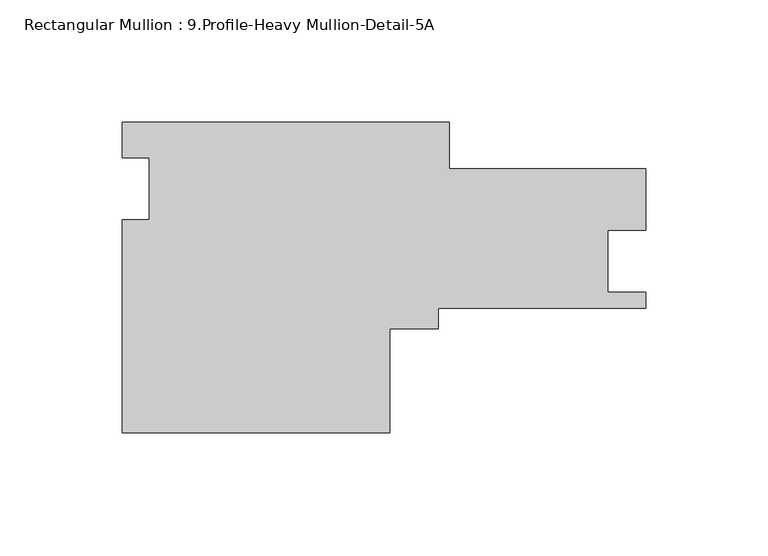
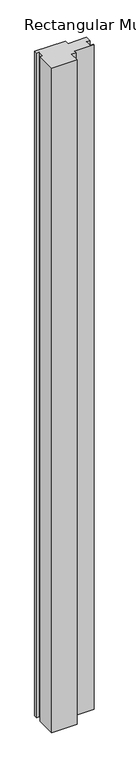
"""IFC4 building model written with IfcOpenShell, lengths in millimetres: member geometry, Rectangular Mullion : 9.Profile-Heavy Mullion-Detail-5A."""

from ifc_helpers import new_model, si_unit, frame, origin, place, context, project, spatial, polyline, outline, extrude, source, transform, mapped, element, save


def rectangular_mullion_9_profile_heavy_mullion_detail_5a_ce69b4be(model_context):
    return source(origin(), model_context, "Body", "SweptSolid", [
        extrude(outline(polyline([(-80.3568401, 60.8896793), (-80.3568401, 41.8486454), (0.0, 41.8486454), (0.0, 16.6629215), (-15.621, 16.6629215), (-15.621, -8.7354548), (-1e-07, -8.7354548), (-1e-07, -15.3012517), (-84.9272813, -15.3012517), (-84.9272813, -23.6415207), (-104.7646813, -23.6415207), (-104.7646813, -66.1103207), (-214.3021526, -66.1103207), (-214.3021526, 20.9770618), (-203.1896526, 20.9770618), (-203.1896526, 46.3861543), (-214.3021526, 46.3861543), (-214.3021526, 60.8896793), (-80.3568401, 60.8896793)])), frame((0.0, 0.0, -3048.0), z_axis=(0.0, 0.0, 1.0), x_axis=(1.0, 0.0, 0.0)), (0.0, 0.0, 1.0), 3048.0),
    ])


if __name__ == "__main__":
    model = new_model("IFC4")
    model_context = context("Model", 3, world=origin())
    ifc_project = project(units=[si_unit("LENGTHUNIT", "METRE", prefix="MILLI")], contexts=[model_context])
    site = spatial("IfcSite", under=ifc_project)
    building = spatial("IfcBuilding", under=site)
    placement = place(None, origin())
    rectangular_mullion_9_profile_heavy_mullion_detail_5a_shape = rectangular_mullion_9_profile_heavy_mullion_detail_5a_ce69b4be(model_context)
    element("IfcMember", 1, ObjectType="Rectangular Mullion : 9.Profile-Heavy Mullion-Detail-5A", at=placement, inside=building, context=model_context, shape_type="MappedRepresentation", body=[
        mapped(rectangular_mullion_9_profile_heavy_mullion_detail_5a_shape, transform((0.0, 0.0, 0.0), x_axis=(1.0, 0.0, 0.0), y_axis=(0.0, 1.0, 0.0), z_axis=(0.0, 0.0, 1.0))),
    ])
    save(model, "model.ifc")
